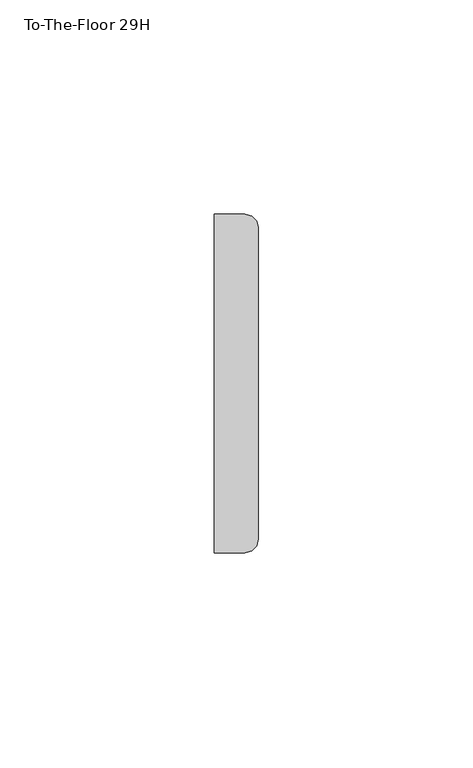
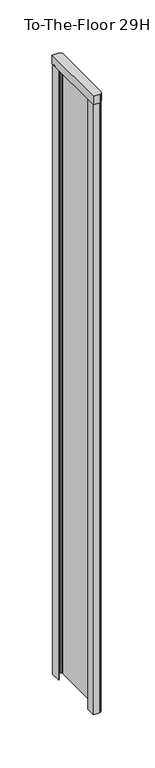
"""IFC4 building model written with IfcOpenShell, lengths in millimetres: furniture geometry, To-The-Floor 29H."""

from ifc_helpers import new_model, si_unit, frame, origin, place, context, project, spatial, polyline, outline, extrude, source, transform, mapped, element, save


def to_the_floor_29h_9f122420(model_context):
    return source(origin(), model_context, "Body", "SweptSolid", [
        extrude(outline(polyline([(0.0, -10.7823), (0.0, 0.0), (6.3500002, 0.0), (7.9374998, -0.4253693), (9.0996308, -1.5875), (9.525, -3.1750001), (9.525, -75.0570011), (9.0996308, -76.6445041), (7.9374998, -77.8066334), (6.3500002, -78.2319981), (0.0, -78.2319981), (0.0, -67.4242986), (0.7874, -67.4242986), (0.7874, -77.4445981), (6.2463381, -77.4445981), (7.5299127, -77.100669), (8.3936672, -76.2369158), (8.7376, -74.9533381), (8.7376, -3.2786632), (8.3936673, -1.9950883), (7.5299116, -1.1313329), (6.246337, -0.7874), (0.7874, -0.7874), (0.7874, -10.7823), (0.0, -10.7823)])), frame((0.0, 0.0, 14.3002), z_axis=(0.0, 0.0, 1.0), x_axis=(1.0, 0.0, 0.0)), (0.0, 0.0, 1.0), 712.7748),
        extrude(outline(polyline([(6.7183002, 0.3937), (8.3057998, -0.0316693), (9.4679308, -1.1938001), (9.8933006, -2.7813), (9.8933006, -75.4253016), (9.4679308, -77.0127956), (8.3057998, -78.174934), (6.7183002, -78.6002986), (-0.3937, -78.6002986), (-0.3937, 0.3937), (6.7183002, 0.3937)])), frame((0.0, 0.0, 727.075), z_axis=(0.0, 0.0, 1.0), x_axis=(1.0, 0.0, 0.0)), (0.0, 0.0, 1.0), 9.525),
    ])


if __name__ == "__main__":
    model = new_model("IFC4")
    model_context = context("Model", 3, world=origin())
    ifc_project = project(units=[si_unit("LENGTHUNIT", "METRE", prefix="MILLI")], contexts=[model_context])
    site = spatial("IfcSite", under=ifc_project)
    building = spatial("IfcBuilding", under=site)
    placement = place(None, origin())
    to_the_floor_29h_shape = to_the_floor_29h_9f122420(model_context)
    element("IfcFurniture", 1, ObjectType="To-The-Floor 29H", at=placement, inside=building, context=model_context, shape_type="MappedRepresentation", body=[
        mapped(to_the_floor_29h_shape, transform((0.0, 0.0, 0.0), x_axis=(1.0, 0.0, 0.0), y_axis=(0.0, 1.0, 0.0), z_axis=(0.0, 0.0, 1.0))),
    ])
    save(model, "model.ifc")
